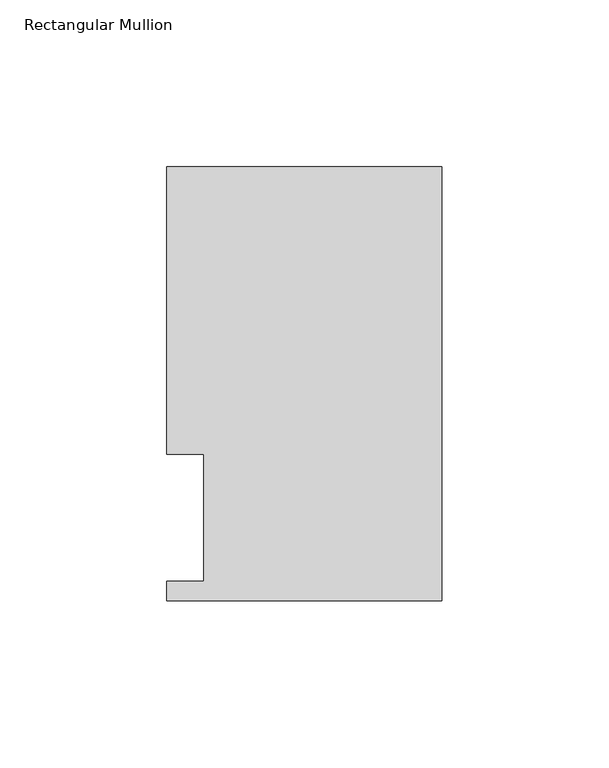
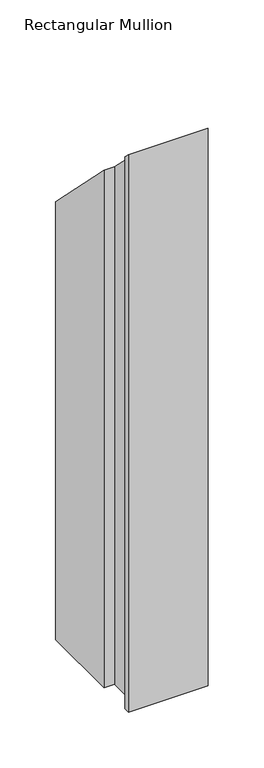
"""IFC4 building model written with IfcOpenShell, lengths in millimetres: member geometry, Rectangular Mullion."""

from ifc_helpers import new_model, si_unit, origin, place, context, project, spatial, faceted_brep, source, transform, mapped, element, save


def rectangular_mullion_61b4d546(model_context):
    return source(origin(), model_context, "Body", "Brep", [
        faceted_brep([(-82.5504364, 130.6321003, -609.6), (0.0, 130.6321003, -609.6), (0.0, 0.4063003, -609.6), (-82.55, 0.4063003, -609.6), (-82.55, 6.3499003, -609.6), (-71.4454383, 6.3499003, -609.6), (-71.4454383, 44.45, -609.6), (-82.5504364, 44.45, -609.6), (-82.5504364, 44.45, -44.45), (-82.5504364, 130.6321003, -130.6321003), (-71.4454383, 44.45, -44.45), (-71.4454383, 6.3499003, -6.3499003), (-82.55, 6.3499003, -6.3499003), (-82.55, 0.4063003, -0.4063003), (0.0, 0.4063003, -0.4063003), (0.0, 130.6321003, -130.6321003)], [[[0, 1, 2, 3, 4, 5, 6, 7]], [[8, 9, 0, 7]], [[10, 8, 7, 6]], [[11, 10, 6, 5]], [[12, 11, 5, 4]], [[13, 12, 4, 3]], [[14, 13, 3, 2]], [[15, 14, 2, 1]], [[9, 15, 1, 0]], [[9, 8, 10, 11, 12, 13, 14, 15]]]),
    ])


if __name__ == "__main__":
    model = new_model("IFC4")
    model_context = context("Model", 3, world=origin())
    ifc_project = project(units=[si_unit("LENGTHUNIT", "METRE", prefix="MILLI")], contexts=[model_context])
    site = spatial("IfcSite", under=ifc_project)
    building = spatial("IfcBuilding", under=site)
    placement = place(None, origin())
    rectangular_mullion_shape = rectangular_mullion_61b4d546(model_context)
    element("IfcMember", 1, ObjectType="Rectangular Mullion", at=placement, inside=building, context=model_context, shape_type="MappedRepresentation", body=[
        mapped(rectangular_mullion_shape, transform((0.0, 0.0, 0.0), x_axis=(1.0, 0.0, 0.0), y_axis=(0.0, 1.0, 0.0), z_axis=(0.0, 0.0, 1.0))),
    ])
    save(model, "model.ifc")
